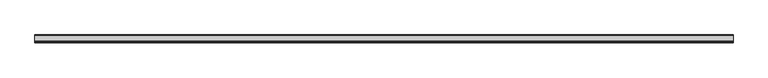
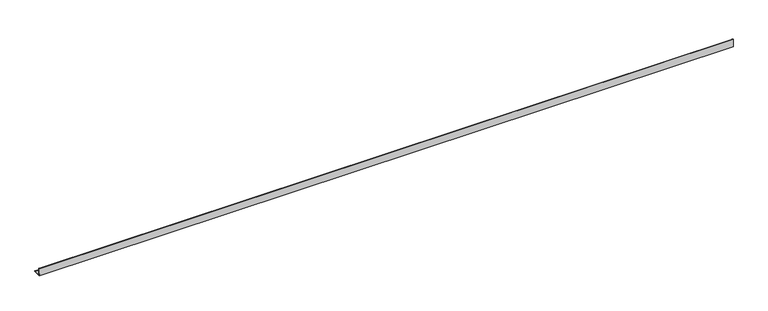
"""IFC4 building model written with IfcOpenShell, lengths in millimetres: beam geometry."""

from ifc_helpers import new_model, si_unit, point, frame, frame_2d, origin, place, context, project, spatial, polyline, circle_curve, trimmed, segment, composite_curve, outline, extrude, source, transform, mapped, element, save


def beam_85beaebe(model_context):
    return source(origin(), model_context, "Body", "SweptSolid", [
        extrude(outline(composite_curve([segment(polyline([(-14.04, -14.04), (-14.04, 35.96), (-12.54, 35.96)]), True, "CONTINUOUS"), segment(trimmed(circle_curve(frame_2d((-12.54, 32.46)), 3.5), [point((-12.54, 35.96))], [point((-9.04, 32.46))], False, "CARTESIAN"), True, "CONTINUOUS"), segment(polyline([(-9.04, 32.46), (-9.04, -2.04)]), True, "CONTINUOUS"), segment(trimmed(circle_curve(frame_2d((-2.04, -2.04)), 7.0), [point((-9.04, -2.04))], [point((-2.04, -9.04))], True, "CARTESIAN"), True, "CONTINUOUS"), segment(polyline([(-2.04, -9.04), (32.46, -9.04)]), True, "CONTINUOUS"), segment(trimmed(circle_curve(frame_2d((32.46, -12.54)), 3.5), [point((32.46, -9.04))], [point((35.96, -12.54))], False, "CARTESIAN"), True, "CONTINUOUS"), segment(polyline([(35.96, -12.54), (35.96, -14.04), (-14.04, -14.04)]), True, "CONTINUOUS")], self_intersect=False)), frame((-2251.25, 0.0, 0.0), z_axis=(1.0, 0.0, 0.0), x_axis=(0.0, 1.0, 0.0)), (0.0, 0.0, 1.0), 4502.5),
    ])


if __name__ == "__main__":
    model = new_model("IFC4")
    model_context = context("Model", 3, world=origin())
    ifc_project = project(units=[si_unit("LENGTHUNIT", "METRE", prefix="MILLI")], contexts=[model_context])
    site = spatial("IfcSite", under=ifc_project)
    building = spatial("IfcBuilding", under=site)
    placement = place(None, origin())
    beam_shape = beam_85beaebe(model_context)
    element("IfcBeam", 1, at=placement, inside=building, context=model_context, shape_type="MappedRepresentation", body=[
        mapped(beam_shape, transform((0.0, 0.0, 0.0), x_axis=(1.0, 0.0, 0.0), y_axis=(0.0, 1.0, 0.0), z_axis=(0.0, 0.0, 1.0))),
    ])
    save(model, "model.ifc")
